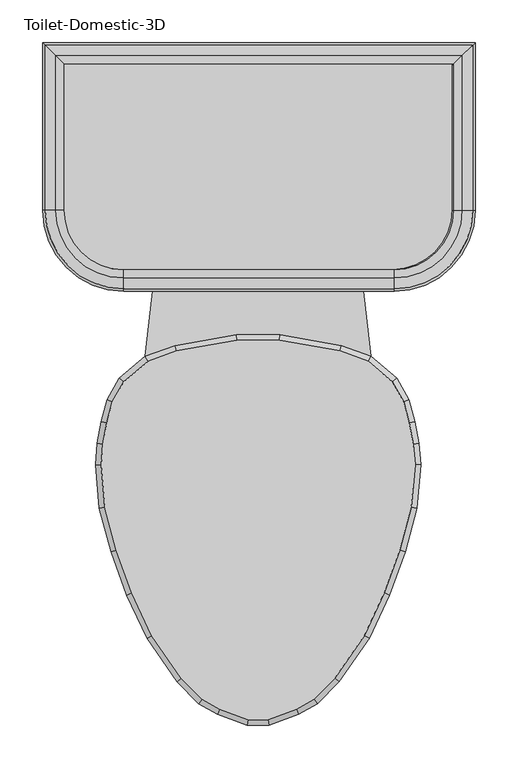
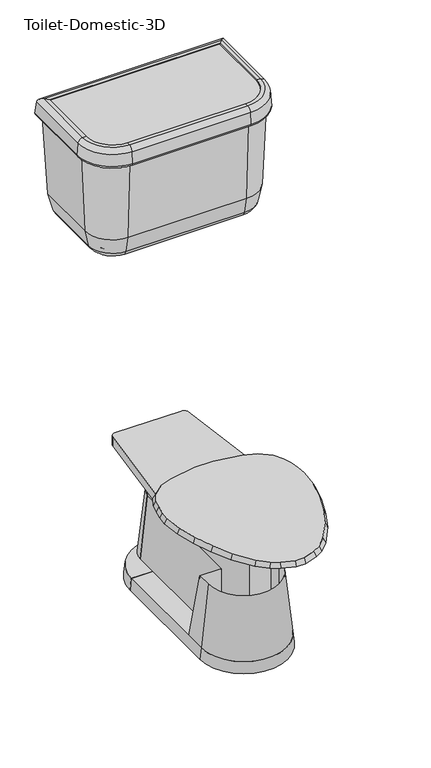
"""IFC4 building model written with IfcOpenShell, lengths in millimetres: flow terminal geometry, Toilet-Domestic-3D."""

from ifc_helpers import new_model, si_unit, point, frame, frame_2d, origin, place, context, project, spatial, polyline, circle_curve, ellipse_curve, trimmed, segment, composite_curve, outline, extrude, faceted_brep, source, transform, mapped, element, save
from ifc_brep_helpers import plane_surface, cylinder_surface, revolved_surface, advanced_brep


def toilet_domestic_3d_28d886ba(model_context):
    return source(origin(), model_context, "Body", "SolidModel", [
        advanced_brep(
        [(-117.7636364, 285.75, 0.0), (-38.1, 285.75, 0.0), (-38.1, 285.75, 31.75), (-114.3, 285.75, 31.75), (117.7636364, 285.75, 0.0), (114.3, 285.75, 31.75), (38.1, 285.75, 31.75), (38.1, 285.75, 0.0)],
        [
            (0, 1),
            (1, 2),
            (2, 3),
            (3, 0),
            (4, 5),
            (5, 6),
            (6, 7),
            (7, 4),
            (7, 1, circle_curve(frame((0.0, 285.75, 0.0), z_axis=(0.0, 0.0, 1.0), x_axis=(-1.0, 0.0, 0.0)), 38.1)),
            (0, 4, circle_curve(frame((0.0, 285.75, 0.0), z_axis=(0.0, 0.0, -1.0), x_axis=(-1.0, 0.0, 0.0)), 117.7636364)),
            (6, 2, circle_curve(frame((0.0, 285.75, 31.75), z_axis=(0.0, 0.0, 1.0), x_axis=(-1.0, 0.0, 0.0)), 38.1)),
            (5, 3, circle_curve(frame((0.0, 285.75, 31.75), z_axis=(0.0, 0.0, 1.0), x_axis=(-1.0, 0.0, 0.0)), 114.3)),
        ],
        [
            plane_surface(frame((0.0, 285.75, -304.8), z_axis=(0.0, -1.0, 0.0), x_axis=(-1.0, 0.0, 0.0))),
            plane_surface(frame((0.0, 285.75, -304.8), z_axis=(0.0, -1.0, 0.0), x_axis=(1.0, 0.0, 0.0))),
            plane_surface(frame((0.0, 285.75, 0.0), z_axis=(0.0, 0.0, -1.0), x_axis=(-1.0, 0.0, 0.0))),
            revolved_surface(polyline([(-38.1, 285.75, 0.0), (-38.1, 285.75, 31.75)]), (0.0, 285.75, -304.8), (0.0, 0.0, -1.0)),
            plane_surface(frame((0.0, 285.75, 31.75), z_axis=(0.0, 0.0, 1.0), x_axis=(-1.0, 0.0, 0.0))),
            revolved_surface(polyline([(-114.3, 285.75, 31.75), (-117.7636364, 285.75, 0.0)]), (0.0, 285.75, -304.8), (0.0, 0.0, -1.0)),
        ],
        [
            (0, [[1, 2, 3, 4]]),
            (1, [[5, 6, 7, 8]]),
            (2, [[9, -1, 10, -8]]),
            (3, [[11, -2, -9, -7]]),
            (4, [[12, -3, -11, -6]]),
            (5, [[-10, -4, -12, -5]]),
        ],
    ),
        advanced_brep(
        [(-38.1, 342.9, 206.375), (-57.15, 342.9, 31.75), (-38.1, 342.9, 31.75), (38.1, 342.9, 206.375), (38.1, 342.9, 31.75), (57.15, 342.9, 31.75)],
        [
            (0, 1),
            (1, 2),
            (2, 0),
            (3, 4),
            (4, 5),
            (5, 3),
            (5, 1, circle_curve(frame((0.0, 342.9, 31.75), z_axis=(0.0, 0.0, 1.0), x_axis=(-1.0, 0.0, 0.0)), 57.15)),
            (0, 3, circle_curve(frame((0.0, 342.9, 206.375), z_axis=(0.0, 0.0, -1.0), x_axis=(-1.0, 0.0, 0.0)), 38.1)),
            (4, 2, circle_curve(frame((0.0, 342.9, 31.75), z_axis=(0.0, 0.0, 1.0), x_axis=(-1.0, 0.0, 0.0)), 38.1)),
        ],
        [
            plane_surface(frame((0.0, 342.9, 31.75), z_axis=(0.0, -1.0, 0.0), x_axis=(-1.0, 0.0, 0.0))),
            plane_surface(frame((0.0, 342.9, 31.75), z_axis=(0.0, -1.0, 0.0), x_axis=(1.0, 0.0, 0.0))),
            revolved_surface(polyline([(-38.1, 342.9, 206.375), (-57.15, 342.9, 31.75)]), (0.0, 342.9, 31.75), (0.0, 0.0, -1.0)),
            plane_surface(frame((0.0, 342.9, 31.75), z_axis=(0.0, 0.0, -1.0), x_axis=(-1.0, 0.0, 0.0))),
            revolved_surface(polyline([(-38.1, 342.9, 31.75), (-38.1, 342.9, 206.375)]), (0.0, 342.9, 31.75), (0.0, 0.0, -1.0)),
        ],
        [
            (0, [[1, 2, 3]]),
            (1, [[4, 5, 6]]),
            (2, [[7, -1, 8, -6]]),
            (3, [[9, -2, -7, -5]]),
            (4, [[-8, -3, -9, -4]]),
        ],
    ),
        faceted_brep([(-157.6293435, 97.472128, 400.05), (-171.060664, 73.773864, 400.05), (-177.5851102, 49.4242991, 400.05), (-181.9845715, 24.4737144, 400.05), (-184.125744, 0.0, 400.05), (-179.7950716, -49.4998127, 400.05), (-166.347, -99.688699, 400.05), (-148.0469602, -149.9676451, 400.05), (-124.7045808, -200.0255393, 400.05), (-90.0971582, -249.9125941, 400.05), (-65.691017, -274.3187354, 400.05), (-44.8990862, -286.3229622, 400.05), (-11.5803237, -298.45, 400.05), (11.5803237, -298.45, 400.05), (44.8990862, -286.3229622, 400.05), (65.691017, -274.3187354, 400.05), (90.0971582, -249.9125941, 400.05), (124.7045808, -200.0255393, 400.05), (148.0469602, -149.9676451, 400.05), (166.347, -99.688699, 400.05), (179.7950716, -49.4998127, 400.05), (184.125744, 0.0, 400.05), (181.9845715, 24.4737144, 400.05), (177.5851102, 49.4242991, 400.05), (171.060664, 73.773864, 400.05), (157.6293435, 97.472128, 400.05), (129.0942628, 121.4159037, 400.05), (95.7755003, 133.5429415, 400.05), (24.844447, 146.05, 400.05), (-24.844447, 146.05, 400.05), (-95.7755003, 133.5429415, 400.05), (-129.0942628, 121.4159037, 400.05), (-162.5887836, 101.6, 387.2181453), (-132.3182423, 127.0, 387.2181453), (-97.4252791, 139.7, 387.2181453), (-25.4, 152.4, 387.2181453), (25.4, 152.4, 387.2181453), (97.4252791, 139.7, 387.2181453), (132.3182423, 127.0, 387.2181453), (162.5887836, 101.6, 387.2181453), (176.9845865, 76.2, 387.2181453), (183.790496, 50.8, 387.2181453), (188.2862441, 25.3033453, 387.2181453), (190.5, 0.0, 387.2181453), (186.0724883, -50.6066907, 387.2181453), (172.4088722, -101.6, 387.2181453), (153.9191843, -152.4, 387.2181453), (130.2307553, -203.2, 387.2181453), (94.9900085, -254.0, 387.2181453), (69.5900085, -279.4, 387.2181453), (47.5929632, -292.1, 387.2181453), (12.7, -304.8, 387.2181453), (-12.7, -304.8, 387.2181453), (-47.5929632, -292.1, 387.2181453), (-69.5900085, -279.4, 387.2181453), (-94.9900085, -254.0, 387.2181453), (-130.2307553, -203.2, 387.2181453), (-153.9191843, -152.4, 387.2181453), (-172.4088722, -101.6, 387.2181453), (-186.0724883, -50.6066907, 387.2181453), (-190.5, 0.0, 387.2181453), (-188.2862441, 25.3033453, 387.2181453), (-183.790496, 50.8, 387.2181453), (-176.9845865, 76.2, 387.2181453)], [[[0, 1, 2, 3, 4, 5, 6, 7, 8, 9, 10, 11, 12, 13, 14, 15, 16, 17, 18, 19, 20, 21, 22, 23, 24, 25, 26, 27, 28, 29, 30, 31]], [[32, 33, 34, 35, 36, 37, 38, 39, 40, 41, 42, 43, 44, 45, 46, 47, 48, 49, 50, 51, 52, 53, 54, 55, 56, 57, 58, 59, 60, 61, 62, 63]], [[32, 63, 1, 0]], [[63, 62, 2, 1]], [[62, 61, 3, 2]], [[61, 60, 4, 3]], [[60, 59, 5, 4]], [[59, 58, 6, 5]], [[58, 57, 7, 6]], [[57, 56, 8, 7]], [[56, 55, 9, 8]], [[55, 54, 10, 9]], [[54, 53, 11, 10]], [[53, 52, 12, 11]], [[52, 51, 13, 12]], [[51, 50, 14, 13]], [[50, 49, 15, 14]], [[49, 48, 16, 15]], [[48, 47, 17, 16]], [[47, 46, 18, 17]], [[46, 45, 19, 18]], [[45, 44, 20, 19]], [[44, 43, 21, 20]], [[43, 42, 22, 21]], [[42, 41, 23, 22]], [[41, 40, 24, 23]], [[40, 39, 25, 24]], [[39, 38, 26, 25]], [[38, 37, 27, 26]], [[37, 36, 28, 27]], [[36, 35, 29, 28]], [[35, 34, 30, 29]], [[34, 33, 31, 30]], [[33, 32, 0, 31]]]),
        extrude(outline(composite_curve([segment(polyline([(227.3029009, 469.9), (227.3029009, 298.4631131)]), True, "CONTINUOUS"), segment(trimmed(circle_curve(frame_2d((157.4660139, 298.4631131)), 69.8368869), [point((227.3029009, 298.4631131))], [point((157.4660139, 228.6262261))], False, "CARTESIAN"), True, "CONTINUOUS"), segment(polyline([(157.4660139, 228.6262261), (-160.0339861, 228.6262261)]), True, "CONTINUOUS"), segment(trimmed(circle_curve(frame_2d((-160.0339861, 298.4631131)), 69.8368869), [point((-160.0339861, 228.6262261))], [point((-229.870873, 298.4631131))], False, "CARTESIAN"), True, "CONTINUOUS"), segment(polyline([(-229.870873, 298.4631131), (-229.870873, 469.9), (227.3029009, 469.9)]), True, "CONTINUOUS")], self_intersect=False)), frame((0.0, 0.0, 1265.8230962), z_axis=(0.0, 0.0, 1.0), x_axis=(1.0, 0.0, 0.0)), (0.0, 0.0, 1.0), 48.6269038),
        extrude(outline(composite_curve([segment(trimmed(circle_curve(frame_2d((0.0, 342.9)), 38.1), [point((-38.1, 342.9))], [point((38.1, 342.9))], False, "CARTESIAN"), True, "CONTINUOUS"), segment(polyline([(38.1, 342.9), (-38.1, 342.9)]), True, "CONTINUOUS")], self_intersect=False)), frame((0.0, 0.0, 206.375), z_axis=(0.0, 0.0, 1.0), x_axis=(1.0, 0.0, 0.0)), (0.0, 0.0, 1.0), 130.175),
        advanced_brep(
        [(178.7552449, 418.5680627, 998.9912415), (178.7552449, 418.5680627, 986.4230962), (178.7552449, 297.9180627, 986.4230962), (178.7552449, 297.9180627, 998.9912415), (193.7573278, 433.5701456, 998.9912415), (193.7573278, 297.9180627, 998.9912415), (212.4203379, 452.2331557, 1014.2209598), (212.4203379, 297.9180627, 1014.2209598), (219.7284954, 459.5413132, 1049.9230962), (219.7284954, 297.9180627, 1049.9230962), (229.5421318, 469.3549496, 1265.8230962), (229.5421318, 297.9180627, 1265.8230962), (229.5421318, 469.3549496, 1316.6230962), (229.5421318, 297.9180627, 1316.6230962), (238.8734149, 478.6862327, 1316.6230962), (238.8734149, 297.9180627, 1316.6230962), (251.5250875, 491.3379053, 1305.0299741), (251.5250875, 297.9180627, 1305.0299741), (254.3512722, 494.16409, 1272.7265352), (254.3512722, 297.9180627, 1272.7265352), (248.0254359, 487.8382537, 1265.8230962), (248.0254359, 297.9180627, 1265.8230962), (242.2552449, 482.0680627, 1265.8230962), (242.2552449, 297.9180627, 1265.8230962), (232.4416085, 472.2544263, 1049.9230962), (232.4416085, 297.9180627, 1049.9230962), (223.2969273, 463.1097451, 1005.2490924), (223.2969273, 297.9180627, 1005.2490924), (198.7624113, 438.5752291, 986.4230962), (198.7624113, 297.9180627, 986.4230962), (159.7052449, 278.8680627, 998.9912415), (159.7052449, 278.8680627, 986.4230962), (159.7052449, 263.8659798, 998.9912415), (159.7052449, 245.2029696, 1014.2209598), (159.7052449, 237.8948121, 1049.9230962), (159.7052449, 228.0811757, 1265.8230962), (159.7052449, 228.0811757, 1316.6230962), (159.7052449, 218.7498927, 1316.6230962), (159.7052449, 206.09822, 1305.0299741), (159.7052449, 203.2720353, 1272.7265352), (159.7052449, 209.5978717, 1265.8230962), (159.7052449, 215.3680627, 1265.8230962), (159.7052449, 225.181699, 1049.9230962), (159.7052449, 234.3263802, 1005.2490924), (159.7052449, 258.8608962, 986.4230962), (-157.7947551, 278.8680627, 986.4230962), (-157.7947551, 278.8680627, 998.9912415), (-157.7947551, 263.8659798, 998.9912415), (-157.7947551, 245.2029696, 1014.2209598), (-157.7947551, 237.8948121, 1049.9230962), (-157.7947551, 228.0811757, 1265.8230962), (-157.7947551, 228.0811757, 1316.6230962), (-157.7947551, 218.7498927, 1316.6230962), (-157.7947551, 206.09822, 1305.0299741), (-157.7947551, 203.2720353, 1272.7265352), (-157.7947551, 209.5978717, 1265.8230962), (-157.7947551, 215.3680627, 1265.8230962), (-157.7947551, 225.181699, 1049.9230962), (-157.7947551, 234.3263802, 1005.2490924), (-157.7947551, 258.8608962, 986.4230962), (-176.8447551, 297.9180627, 998.9912415), (-176.8447551, 297.9180627, 986.4230962), (-191.846838, 297.9180627, 998.9912415), (-210.5098482, 297.9180627, 1014.2209598), (-217.8180057, 297.9180627, 1049.9230962), (-227.6316421, 297.9180627, 1265.8230962), (-227.6316421, 297.9180627, 1316.6230962), (-236.9629251, 297.9180627, 1316.6230962), (-249.6145978, 297.9180627, 1305.0299741), (-252.4407825, 297.9180627, 1272.7265352), (-246.1149461, 297.9180627, 1265.8230962), (-240.3447551, 297.9180627, 1265.8230962), (-230.5311188, 297.9180627, 1049.9230962), (-221.3864375, 297.9180627, 1005.2490924), (-196.8519216, 297.9180627, 986.4230962), (-176.8447551, 418.5680627, 986.4230962), (-176.8447551, 418.5680627, 998.9912415), (-191.846838, 433.5701456, 998.9912415), (-210.5098482, 452.2331557, 1014.2209598), (-217.8180057, 459.5413132, 1049.9230962), (-227.6316421, 469.3549496, 1265.8230962), (-227.6316421, 469.3549496, 1316.6230962), (-236.9629251, 478.6862327, 1316.6230962), (-249.6145978, 491.3379053, 1305.0299741), (-252.4407825, 494.16409, 1272.7265352), (-246.1149461, 487.8382537, 1265.8230962), (-240.3447551, 482.0680627, 1265.8230962), (-230.5311188, 472.2544263, 1049.9230962), (-221.3864375, 463.1097451, 1005.2490924), (-196.8519216, 438.5752291, 986.4230962)],
        [
            (0, 1),
            (1, 2),
            (2, 3),
            (3, 0),
            (4, 0),
            (3, 5),
            (5, 4),
            (6, 4, ellipse_curve(frame((193.7573278, 433.5701456, 1018.0412415), z_axis=(-0.7071067811865451, 0.7071067811865498, 0.0), x_axis=(-0.7071067811865497, -0.7071067811865452, 0.0)), 26.9407684, 19.05)),
            (5, 7, circle_curve(frame((193.7573278, 297.9180627, 1018.0412415), z_axis=(0.0, -1.0, 0.0), x_axis=(1.0, 0.0, 0.0)), 19.05)),
            (7, 6),
            (8, 6),
            (7, 9),
            (9, 8),
            (10, 8),
            (9, 11),
            (11, 10),
            (12, 10),
            (11, 13),
            (13, 12),
            (14, 12),
            (13, 15),
            (15, 14),
            (16, 14, ellipse_curve(frame((238.8734149, 478.6862327, 1303.9230962), z_axis=(0.7071067811865451, -0.7071067811865498, 0.0), x_axis=(0.7071067811865497, 0.7071067811865452, 0.0)), 17.9605122, 12.7)),
            (15, 17, circle_curve(frame((238.8734149, 297.9180627, 1303.9230962), z_axis=(0.0, 1.0, 0.0), x_axis=(1.0, 0.0, 0.0)), 12.7)),
            (17, 16),
            (18, 16),
            (17, 19),
            (19, 18),
            (20, 18, ellipse_curve(frame((248.0254359, 487.8382537, 1272.1730962), z_axis=(0.7071067811865451, -0.7071067811865498, 0.0), x_axis=(0.7071067811865497, 0.7071067811865452, 0.0)), 8.9802561, 6.35)),
            (19, 21, circle_curve(frame((248.0254359, 297.9180627, 1272.1730962), z_axis=(0.0, 1.0, 0.0), x_axis=(1.0, 0.0, 0.0)), 6.35)),
            (21, 20),
            (22, 20),
            (21, 23),
            (23, 22),
            (24, 22),
            (23, 25),
            (25, 24),
            (26, 24),
            (25, 27),
            (27, 26),
            (28, 26, ellipse_curve(frame((198.7624113, 438.5752291, 1011.8230962), z_axis=(0.7071067811865451, -0.7071067811865498, 0.0), x_axis=(0.7071067811865497, 0.7071067811865452, 0.0)), 35.9210245, 25.4)),
            (27, 29, circle_curve(frame((198.7624113, 297.9180627, 1011.8230962), z_axis=(0.0, 1.0, 0.0), x_axis=(1.0, 0.0, 0.0)), 25.4)),
            (29, 28),
            (1, 28),
            (29, 2),
            (30, 3, circle_curve(frame((159.7052449, 297.9180627, 998.9912415), z_axis=(0.0, 0.0, 1.0), x_axis=(1.0, 0.0, 0.0)), 19.05)),
            (2, 31, circle_curve(frame((159.7052449, 297.9180627, 986.4230962), z_axis=(0.0, 0.0, -1.0), x_axis=(1.0, 0.0, 0.0)), 19.05)),
            (31, 30),
            (32, 5, circle_curve(frame((159.7052449, 297.9180627, 998.9912415), z_axis=(0.0, 0.0, 1.0), x_axis=(1.0, 0.0, 0.0)), 34.0520829)),
            (30, 32),
            (33, 7, circle_curve(frame((159.7052449, 297.9180627, 1014.2209598), z_axis=(0.0, 0.0, 1.0), x_axis=(1.0, 0.0, 0.0)), 52.7150931)),
            (32, 33, circle_curve(frame((159.7052449, 263.8659798, 1018.0412415), z_axis=(-1.0, 0.0, 0.0), x_axis=(0.0, -1.0, 0.0)), 19.05)),
            (34, 9, circle_curve(frame((159.7052449, 297.9180627, 1049.9230962), z_axis=(0.0, 0.0, 1.0), x_axis=(1.0, 0.0, 0.0)), 60.0232506)),
            (33, 34),
            (35, 11, circle_curve(frame((159.7052449, 297.9180627, 1265.8230962), z_axis=(0.0, 0.0, 1.0), x_axis=(1.0, 0.0, 0.0)), 69.8368869)),
            (34, 35),
            (36, 13, circle_curve(frame((159.7052449, 297.9180627, 1316.6230962), z_axis=(0.0, 0.0, 1.0), x_axis=(1.0, 0.0, 0.0)), 69.8368869)),
            (35, 36),
            (37, 15, circle_curve(frame((159.7052449, 297.9180627, 1316.6230962), z_axis=(0.0, 0.0, 1.0), x_axis=(1.0, 0.0, 0.0)), 79.16817)),
            (36, 37),
            (38, 17, circle_curve(frame((159.7052449, 297.9180627, 1305.0299741), z_axis=(0.0, 0.0, 1.0), x_axis=(1.0, 0.0, 0.0)), 91.8198426)),
            (37, 38, circle_curve(frame((159.7052449, 218.7498927, 1303.9230962), z_axis=(1.0, 0.0, 0.0), x_axis=(0.0, -1.0, 0.0)), 12.7)),
            (39, 19, circle_curve(frame((159.7052449, 297.9180627, 1272.7265352), z_axis=(0.0, 0.0, 1.0), x_axis=(1.0, 0.0, 0.0)), 94.6460274)),
            (38, 39),
            (40, 21, circle_curve(frame((159.7052449, 297.9180627, 1265.8230962), z_axis=(0.0, 0.0, 1.0), x_axis=(1.0, 0.0, 0.0)), 88.320191)),
            (39, 40, circle_curve(frame((159.7052449, 209.5978717, 1272.1730962), z_axis=(1.0, 0.0, 0.0), x_axis=(0.0, -1.0, 0.0)), 6.35)),
            (41, 23, circle_curve(frame((159.7052449, 297.9180627, 1265.8230962), z_axis=(0.0, 0.0, 1.0), x_axis=(1.0, 0.0, 0.0)), 82.55)),
            (40, 41),
            (42, 25, circle_curve(frame((159.7052449, 297.9180627, 1049.9230962), z_axis=(0.0, 0.0, 1.0), x_axis=(1.0, 0.0, 0.0)), 72.7363636)),
            (41, 42),
            (43, 27, circle_curve(frame((159.7052449, 297.9180627, 1005.2490924), z_axis=(0.0, 0.0, 1.0), x_axis=(1.0, 0.0, 0.0)), 63.5916824)),
            (42, 43),
            (44, 29, circle_curve(frame((159.7052449, 297.9180627, 986.4230962), z_axis=(0.0, 0.0, 1.0), x_axis=(1.0, 0.0, 0.0)), 39.0571664)),
            (43, 44, circle_curve(frame((159.7052449, 258.8608962, 1011.8230962), z_axis=(1.0, 0.0, 0.0), x_axis=(0.0, -1.0, 0.0)), 25.4)),
            (44, 31),
            (31, 45),
            (45, 46),
            (46, 30),
            (46, 47),
            (47, 32),
            (47, 48, circle_curve(frame((-157.7947551, 263.8659798, 1018.0412415), z_axis=(-1.0, 0.0, 0.0), x_axis=(0.0, -1.0, 0.0)), 19.05)),
            (48, 33),
            (48, 49),
            (49, 34),
            (49, 50),
            (50, 35),
            (50, 51),
            (51, 36),
            (51, 52),
            (52, 37),
            (52, 53, circle_curve(frame((-157.7947551, 218.7498927, 1303.9230962), z_axis=(1.0, 0.0, 0.0), x_axis=(0.0, -1.0, 0.0)), 12.7)),
            (53, 38),
            (53, 54),
            (54, 39),
            (54, 55, circle_curve(frame((-157.7947551, 209.5978717, 1272.1730962), z_axis=(1.0, 0.0, 0.0), x_axis=(0.0, -1.0, 0.0)), 6.35)),
            (55, 40),
            (55, 56),
            (56, 41),
            (56, 57),
            (57, 42),
            (57, 58),
            (58, 43),
            (58, 59, circle_curve(frame((-157.7947551, 258.8608962, 1011.8230962), z_axis=(1.0, 0.0, 0.0), x_axis=(0.0, -1.0, 0.0)), 25.4)),
            (59, 44),
            (59, 45),
            (60, 46, circle_curve(frame((-157.7947551, 297.9180627, 998.9912415), z_axis=(0.0, 0.0, 1.0), x_axis=(0.0, -1.0, 0.0)), 19.05)),
            (45, 61, circle_curve(frame((-157.7947551, 297.9180627, 986.4230962), z_axis=(0.0, 0.0, -1.0), x_axis=(0.0, -1.0, 0.0)), 19.05)),
            (61, 60),
            (62, 47, circle_curve(frame((-157.7947551, 297.9180627, 998.9912415), z_axis=(0.0, 0.0, 1.0), x_axis=(0.0, -1.0, 0.0)), 34.0520829)),
            (60, 62),
            (63, 48, circle_curve(frame((-157.7947551, 297.9180627, 1014.2209598), z_axis=(0.0, 0.0, 1.0), x_axis=(0.0, -1.0, 0.0)), 52.7150931)),
            (62, 63, circle_curve(frame((-191.846838, 297.9180627, 1018.0412415), z_axis=(0.0, 1.0, 0.0), x_axis=(-1.0, 0.0, 0.0)), 19.05)),
            (64, 49, circle_curve(frame((-157.7947551, 297.9180627, 1049.9230962), z_axis=(0.0, 0.0, 1.0), x_axis=(0.0, -1.0, 0.0)), 60.0232506)),
            (63, 64),
            (65, 50, circle_curve(frame((-157.7947551, 297.9180627, 1265.8230962), z_axis=(0.0, 0.0, 1.0), x_axis=(0.0, -1.0, 0.0)), 69.8368869)),
            (64, 65),
            (66, 51, circle_curve(frame((-157.7947551, 297.9180627, 1316.6230962), z_axis=(0.0, 0.0, 1.0), x_axis=(0.0, -1.0, 0.0)), 69.8368869)),
            (65, 66),
            (67, 52, circle_curve(frame((-157.7947551, 297.9180627, 1316.6230962), z_axis=(0.0, 0.0, 1.0), x_axis=(0.0, -1.0, 0.0)), 79.16817)),
            (66, 67),
            (68, 53, circle_curve(frame((-157.7947551, 297.9180627, 1305.0299741), z_axis=(0.0, 0.0, 1.0), x_axis=(0.0, -1.0, 0.0)), 91.8198426)),
            (67, 68, circle_curve(frame((-236.9629251, 297.9180627, 1303.9230962), z_axis=(0.0, -1.0, 0.0), x_axis=(-1.0, 0.0, 0.0)), 12.7)),
            (69, 54, circle_curve(frame((-157.7947551, 297.9180627, 1272.7265352), z_axis=(0.0, 0.0, 1.0), x_axis=(0.0, -1.0, 0.0)), 94.6460274)),
            (68, 69),
            (70, 55, circle_curve(frame((-157.7947551, 297.9180627, 1265.8230962), z_axis=(0.0, 0.0, 1.0), x_axis=(0.0, -1.0, 0.0)), 88.320191)),
            (69, 70, circle_curve(frame((-246.1149461, 297.9180627, 1272.1730962), z_axis=(0.0, -1.0, 0.0), x_axis=(-1.0, 0.0, 0.0)), 6.35)),
            (71, 56, circle_curve(frame((-157.7947551, 297.9180627, 1265.8230962), z_axis=(0.0, 0.0, 1.0), x_axis=(0.0, -1.0, 0.0)), 82.55)),
            (70, 71),
            (72, 57, circle_curve(frame((-157.7947551, 297.9180627, 1049.9230962), z_axis=(0.0, 0.0, 1.0), x_axis=(0.0, -1.0, 0.0)), 72.7363636)),
            (71, 72),
            (73, 58, circle_curve(frame((-157.7947551, 297.9180627, 1005.2490924), z_axis=(0.0, 0.0, 1.0), x_axis=(0.0, -1.0, 0.0)), 63.5916824)),
            (72, 73),
            (74, 59, circle_curve(frame((-157.7947551, 297.9180627, 986.4230962), z_axis=(0.0, 0.0, 1.0), x_axis=(0.0, -1.0, 0.0)), 39.0571664)),
            (73, 74, circle_curve(frame((-196.8519216, 297.9180627, 1011.8230962), z_axis=(0.0, -1.0, 0.0), x_axis=(-1.0, 0.0, 0.0)), 25.4)),
            (74, 61),
            (61, 75),
            (75, 76),
            (76, 60),
            (76, 77),
            (77, 62),
            (77, 78, ellipse_curve(frame((-191.846838, 433.5701456, 1018.0412415), z_axis=(0.7071067811865498, 0.7071067811865451, 0.0), x_axis=(-0.7071067811865451, 0.70710678118655, 0.0)), 26.9407684, 19.05)),
            (78, 63),
            (78, 79),
            (79, 64),
            (79, 80),
            (80, 65),
            (80, 81),
            (81, 66),
            (81, 82),
            (82, 67),
            (82, 83, ellipse_curve(frame((-236.9629251, 478.6862327, 1303.9230962), z_axis=(-0.7071067811865498, -0.7071067811865451, 0.0), x_axis=(0.7071067811865451, -0.70710678118655, 0.0)), 17.9605122, 12.7)),
            (83, 68),
            (83, 84),
            (84, 69),
            (84, 85, ellipse_curve(frame((-246.1149461, 487.8382537, 1272.1730962), z_axis=(-0.7071067811865498, -0.7071067811865451, 0.0), x_axis=(0.7071067811865451, -0.70710678118655, 0.0)), 8.9802561, 6.35)),
            (85, 70),
            (85, 86),
            (86, 71),
            (86, 87),
            (87, 72),
            (87, 88),
            (88, 73),
            (88, 89, ellipse_curve(frame((-196.8519216, 438.5752291, 1011.8230962), z_axis=(-0.7071067811865498, -0.7071067811865451, 0.0), x_axis=(0.7071067811865451, -0.70710678118655, 0.0)), 35.9210245, 25.4)),
            (89, 74),
            (89, 75),
            (75, 1),
            (0, 76),
            (4, 77),
            (6, 78),
            (8, 79),
            (10, 80),
            (12, 81),
            (14, 82),
            (16, 83),
            (18, 84),
            (20, 85),
            (22, 86),
            (24, 87),
            (26, 88),
            (28, 89),
        ],
        [
            plane_surface(frame((178.7552449, 418.5680627, 986.4230962), z_axis=(-1.0, 0.0, 0.0), x_axis=(0.0, -1.0, 0.0))),
            plane_surface(frame((178.7552449, 418.5680627, 998.9912415), z_axis=(0.0, 0.0, 1.0), x_axis=(0.0, -1.0, 0.0))),
            revolved_surface(polyline([(212.80732780000002, 297.9180627, 1018.0412415), (212.80732780000002, 452.6201456260162, 1018.0412415)]), (193.7573278, 418.5680627, 1018.0412415), (0.0, -1.0, 0.0)),
            plane_surface(frame((212.4203379, 452.2331557, 1014.2209598), z_axis=(-0.9796855721787505, 0.0, 0.2005397209153197), x_axis=(0.0, -1.0, 0.0))),
            plane_surface(frame((219.7284954, 459.5413132, 1049.9230962), z_axis=(-0.9989685402102995, 0.0, 0.045407660918654086), x_axis=(0.0, -1.0, 0.0))),
            plane_surface(frame((229.5421318, 469.3549496, 1265.8230962), z_axis=(-1.0, 0.0, 0.0), x_axis=(0.0, -1.0, 0.0))),
            plane_surface(frame((229.5421318, 469.3549496, 1316.6230962), z_axis=(0.0, 0.0, 1.0), x_axis=(0.0, -1.0, 0.0))),
            cylinder_surface(frame((238.8734149, 418.5680627, 1303.9230962), z_axis=(0.0, 1.0, 0.0), x_axis=(1.0, 0.0, 0.0)), 12.7),
            plane_surface(frame((251.5250875, 491.3379053, 1305.0299741), z_axis=(0.9961946980917452, 0.0, 0.08715574274766269), x_axis=(0.0, -1.0, 0.0))),
            cylinder_surface(frame((248.0254359, 418.5680627, 1272.1730962), z_axis=(0.0, 1.0, 0.0), x_axis=(1.0, 0.0, 0.0)), 6.35),
            plane_surface(frame((248.0254359, 487.8382537, 1265.8230962), z_axis=(0.0, 0.0, -1.0), x_axis=(0.0, -1.0, 0.0))),
            plane_surface(frame((242.2552449, 482.0680627, 1265.8230962), z_axis=(0.9989685402102993, 0.0, -0.04540766091865594), x_axis=(0.0, -1.0, 0.0))),
            plane_surface(frame((232.4416085, 472.2544263, 1049.9230962), z_axis=(0.9796855721787489, 0.0, -0.20053972091532798), x_axis=(0.0, -1.0, 0.0))),
            cylinder_surface(frame((198.7624113, 418.5680627, 1011.8230962), z_axis=(0.0, 1.0, 0.0), x_axis=(1.0, 0.0, 0.0)), 25.4),
            plane_surface(frame((198.7624113, 438.5752291, 986.4230962), z_axis=(0.0, 0.0, -1.0), x_axis=(0.0, -1.0, 0.0))),
            revolved_surface(polyline([(178.7552449, 297.9180627, 986.4230962), (178.7552449, 297.9180627, 998.9912415)]), (159.7052449, 297.9180627, 0.0), (0.0, 0.0, -1.0)),
            plane_surface(frame((159.7052449, 297.9180627, 998.9912415), z_axis=(0.0, 0.0, 1.0), x_axis=(1.0, 0.0, 0.0))),
            revolved_surface(trimmed(ellipse_curve(frame((193.7573278, 297.9180627, 1018.0412415), z_axis=(0.0, -1.0, 0.0), x_axis=(1.0, 0.0, 0.0)), 19.05, 19.05), [point((193.7573278, 297.9180627, 998.9912415))], [point((212.4203379, 297.9180627, 1014.2209598))], True, "CARTESIAN"), (159.7052449, 297.9180627, 0.0), (0.0, 0.0, -1.0)),
            revolved_surface(polyline([(212.4203379, 297.9180627, 1014.2209598), (219.7284954, 297.9180627, 1049.9230962)]), (159.7052449, 297.9180627, 0.0), (0.0, 0.0, -1.0)),
            revolved_surface(polyline([(219.7284954, 297.9180627, 1049.9230962), (229.5421318, 297.9180627, 1265.8230962)]), (159.7052449, 297.9180627, 0.0), (0.0, 0.0, -1.0)),
            revolved_surface(polyline([(229.5421318, 297.9180627, 1265.8230962), (229.5421318, 297.9180627, 1316.6230962)]), (159.7052449, 297.9180627, 0.0), (0.0, 0.0, -1.0)),
            plane_surface(frame((159.7052449, 297.9180627, 1316.6230962), z_axis=(0.0, 0.0, 1.0), x_axis=(1.0, 0.0, 0.0))),
            revolved_surface(trimmed(ellipse_curve(frame((238.8734149, 297.9180627, 1303.9230962), z_axis=(0.0, 1.0, 0.0), x_axis=(1.0, 0.0, 0.0)), 12.7, 12.7), [point((238.8734149, 297.9180627, 1316.6230962))], [point((251.5250875, 297.9180627, 1305.0299741))], True, "CARTESIAN"), (159.7052449, 297.9180627, 0.0), (0.0, 0.0, -1.0)),
            revolved_surface(polyline([(251.5250875, 297.9180627, 1305.0299741), (254.3512722, 297.9180627, 1272.7265352)]), (159.7052449, 297.9180627, 0.0), (0.0, 0.0, -1.0)),
            revolved_surface(trimmed(ellipse_curve(frame((248.0254359, 297.9180627, 1272.1730962), z_axis=(0.0, 1.0, 0.0), x_axis=(1.0, 0.0, 0.0)), 6.35, 6.35), [point((254.3512722, 297.9180627, 1272.7265352))], [point((248.0254359, 297.9180627, 1265.8230962))], True, "CARTESIAN"), (159.7052449, 297.9180627, 0.0), (0.0, 0.0, -1.0)),
            plane_surface(frame((159.7052449, 297.9180627, 1265.8230962), z_axis=(0.0, 0.0, -1.0), x_axis=(1.0, 0.0, 0.0))),
            revolved_surface(polyline([(242.2552449, 297.9180627, 1265.8230962), (232.4416085, 297.9180627, 1049.9230962)]), (159.7052449, 297.9180627, 0.0), (0.0, 0.0, -1.0)),
            revolved_surface(polyline([(232.4416085, 297.9180627, 1049.9230962), (223.2969273, 297.9180627, 1005.2490924)]), (159.7052449, 297.9180627, 0.0), (0.0, 0.0, -1.0)),
            revolved_surface(trimmed(ellipse_curve(frame((198.7624113, 297.9180627, 1011.8230962), z_axis=(0.0, 1.0, 0.0), x_axis=(1.0, 0.0, 0.0)), 25.4, 25.4), [point((223.2969273, 297.9180627, 1005.2490924))], [point((198.7624113, 297.9180627, 986.4230962))], True, "CARTESIAN"), (159.7052449, 297.9180627, 0.0), (0.0, 0.0, -1.0)),
            plane_surface(frame((159.7052449, 297.9180627, 986.4230962), z_axis=(0.0, 0.0, -1.0), x_axis=(1.0, 0.0, 0.0))),
            plane_surface(frame((159.7052449, 278.8680627, 986.4230962), z_axis=(0.0, 1.0, 0.0), x_axis=(-1.0, 0.0, 0.0))),
            plane_surface(frame((159.7052449, 278.8680627, 998.9912415), z_axis=(0.0, 0.0, 1.0), x_axis=(-1.0, 0.0, 0.0))),
            revolved_surface(polyline([(-157.7947551, 244.81597979999998, 1018.0412415), (159.7052449, 244.81597979999998, 1018.0412415)]), (159.7052449, 263.8659798, 1018.0412415), (-1.0, 0.0, 0.0)),
            plane_surface(frame((159.7052449, 245.2029696, 1014.2209598), z_axis=(0.0, 0.9796855721787505, 0.2005397209153197), x_axis=(-1.0, 0.0, 0.0))),
            plane_surface(frame((159.7052449, 237.8948121, 1049.9230962), z_axis=(0.0, 0.9989685402102995, 0.045407660918654086), x_axis=(-1.0, 0.0, 0.0))),
            plane_surface(frame((159.7052449, 228.0811757, 1265.8230962), z_axis=(0.0, 1.0, 0.0), x_axis=(-1.0, 0.0, 0.0))),
            plane_surface(frame((159.7052449, 228.0811757, 1316.6230962), z_axis=(0.0, 0.0, 1.0), x_axis=(-1.0, 0.0, 0.0))),
            cylinder_surface(frame((159.7052449, 218.7498927, 1303.9230962), z_axis=(1.0, 0.0, 0.0), x_axis=(0.0, -1.0, 0.0)), 12.7),
            plane_surface(frame((159.7052449, 206.09822, 1305.0299741), z_axis=(0.0, -0.9961946980917452, 0.08715574274766269), x_axis=(-1.0, 0.0, 0.0))),
            cylinder_surface(frame((159.7052449, 209.5978717, 1272.1730962), z_axis=(1.0, 0.0, 0.0), x_axis=(0.0, -1.0, 0.0)), 6.35),
            plane_surface(frame((159.7052449, 209.5978717, 1265.8230962), z_axis=(0.0, 0.0, -1.0), x_axis=(-1.0, 0.0, 0.0))),
            plane_surface(frame((159.7052449, 215.3680627, 1265.8230962), z_axis=(0.0, -0.9989685402102993, -0.04540766091865594), x_axis=(-1.0, 0.0, 0.0))),
            plane_surface(frame((159.7052449, 225.181699, 1049.9230962), z_axis=(0.0, -0.9796855721787489, -0.20053972091532798), x_axis=(-1.0, 0.0, 0.0))),
            cylinder_surface(frame((159.7052449, 258.8608962, 1011.8230962), z_axis=(1.0, 0.0, 0.0), x_axis=(0.0, -1.0, 0.0)), 25.4),
            plane_surface(frame((159.7052449, 258.8608962, 986.4230962), z_axis=(0.0, 0.0, -1.0), x_axis=(-1.0, 0.0, 0.0))),
            revolved_surface(polyline([(-157.7947551, 278.8680627, 986.4230962), (-157.7947551, 278.8680627, 998.9912415)]), (-157.7947551, 297.9180627, 0.0), (0.0, 0.0, -1.0)),
            plane_surface(frame((-157.7947551, 297.9180627, 998.9912415), z_axis=(0.0, 0.0, 1.0), x_axis=(0.0, -1.0, 0.0))),
            revolved_surface(trimmed(ellipse_curve(frame((-157.7947551, 263.8659798, 1018.0412415), z_axis=(-1.0, 0.0, 0.0), x_axis=(0.0, -1.0, 0.0)), 19.05, 19.05), [point((-157.7947551, 263.8659798, 998.9912415))], [point((-157.7947551, 245.2029696, 1014.2209598))], True, "CARTESIAN"), (-157.7947551, 297.9180627, 0.0), (0.0, 0.0, -1.0)),
            revolved_surface(polyline([(-157.7947551, 245.2029696, 1014.2209598), (-157.7947551, 237.8948121, 1049.9230962)]), (-157.7947551, 297.9180627, 0.0), (0.0, 0.0, -1.0)),
            revolved_surface(polyline([(-157.7947551, 237.8948121, 1049.9230962), (-157.7947551, 228.0811757, 1265.8230962)]), (-157.7947551, 297.9180627, 0.0), (0.0, 0.0, -1.0)),
            revolved_surface(polyline([(-157.7947551, 228.0811758, 1265.8230962), (-157.7947551, 228.0811758, 1316.6230962)]), (-157.7947551, 297.9180627, 0.0), (0.0, 0.0, -1.0)),
            plane_surface(frame((-157.7947551, 297.9180627, 1316.6230962), z_axis=(0.0, 0.0, 1.0), x_axis=(0.0, -1.0, 0.0))),
            revolved_surface(trimmed(ellipse_curve(frame((-157.7947551, 218.7498927, 1303.9230962), z_axis=(1.0, 0.0, 0.0), x_axis=(0.0, -1.0, 0.0)), 12.7, 12.7), [point((-157.7947551, 218.7498927, 1316.6230962))], [point((-157.7947551, 206.09822, 1305.0299741))], True, "CARTESIAN"), (-157.7947551, 297.9180627, 0.0), (0.0, 0.0, -1.0)),
            revolved_surface(polyline([(-157.7947551, 206.09822, 1305.0299741), (-157.7947551, 203.2720353, 1272.7265352)]), (-157.7947551, 297.9180627, 0.0), (0.0, 0.0, -1.0)),
            revolved_surface(trimmed(ellipse_curve(frame((-157.7947551, 209.5978717, 1272.1730962), z_axis=(1.0, 0.0, 0.0), x_axis=(0.0, -1.0, 0.0)), 6.35, 6.35), [point((-157.7947551, 203.2720353, 1272.7265352))], [point((-157.7947551, 209.5978717, 1265.8230962))], True, "CARTESIAN"), (-157.7947551, 297.9180627, 0.0), (0.0, 0.0, -1.0)),
            plane_surface(frame((-157.7947551, 297.9180627, 1265.8230962), z_axis=(0.0, 0.0, -1.0), x_axis=(0.0, -1.0, 0.0))),
            revolved_surface(polyline([(-157.7947551, 215.3680627, 1265.8230962), (-157.7947551, 225.181699, 1049.9230962)]), (-157.7947551, 297.9180627, 0.0), (0.0, 0.0, -1.0)),
            revolved_surface(polyline([(-157.7947551, 225.181699, 1049.9230962), (-157.7947551, 234.3263802, 1005.2490924)]), (-157.7947551, 297.9180627, 0.0), (0.0, 0.0, -1.0)),
            revolved_surface(trimmed(ellipse_curve(frame((-157.7947551, 258.8608962, 1011.8230962), z_axis=(1.0, 0.0, 0.0), x_axis=(0.0, -1.0, 0.0)), 25.4, 25.4), [point((-157.7947551, 234.3263802, 1005.2490924))], [point((-157.7947551, 258.8608962, 986.4230962))], True, "CARTESIAN"), (-157.7947551, 297.9180627, 0.0), (0.0, 0.0, -1.0)),
            plane_surface(frame((-157.7947551, 297.9180627, 986.4230962), z_axis=(0.0, 0.0, -1.0), x_axis=(0.0, -1.0, 0.0))),
            plane_surface(frame((-176.8447551, 297.9180627, 986.4230962), z_axis=(1.0, 0.0, 0.0), x_axis=(0.0, 1.0, 0.0))),
            plane_surface(frame((-176.8447551, 297.9180627, 998.9912415), z_axis=(0.0, 0.0, 1.0), x_axis=(0.0, 1.0, 0.0))),
            revolved_surface(polyline([(-210.896838, 452.6201456260163, 1018.0412415), (-210.896838, 297.9180627, 1018.0412415)]), (-191.846838, 297.9180627, 1018.0412415), (0.0, 1.0, 0.0)),
            plane_surface(frame((-210.5098482, 297.9180627, 1014.2209598), z_axis=(0.9796855721787505, 0.0, 0.2005397209153197), x_axis=(0.0, 1.0, 0.0))),
            plane_surface(frame((-217.8180057, 297.9180627, 1049.9230962), z_axis=(0.9989685402102995, 0.0, 0.045407660918654086), x_axis=(0.0, 1.0, 0.0))),
            plane_surface(frame((-227.6316421, 297.9180627, 1265.8230962), z_axis=(1.0, 0.0, 0.0), x_axis=(0.0, 1.0, 0.0))),
            plane_surface(frame((-227.6316421, 297.9180627, 1316.6230962), z_axis=(0.0, 0.0, 1.0), x_axis=(0.0, 1.0, 0.0))),
            cylinder_surface(frame((-236.9629251, 297.9180627, 1303.9230962), z_axis=(0.0, -1.0, 0.0), x_axis=(-1.0, 0.0, 0.0)), 12.7),
            plane_surface(frame((-249.6145978, 297.9180627, 1305.0299741), z_axis=(-0.9961946980917452, 0.0, 0.08715574274766269), x_axis=(0.0, 1.0, 0.0))),
            cylinder_surface(frame((-246.1149461, 297.9180627, 1272.1730962), z_axis=(0.0, -1.0, 0.0), x_axis=(-1.0, 0.0, 0.0)), 6.35),
            plane_surface(frame((-246.1149461, 297.9180627, 1265.8230962), z_axis=(0.0, 0.0, -1.0), x_axis=(0.0, 1.0, 0.0))),
            plane_surface(frame((-240.3447551, 297.9180627, 1265.8230962), z_axis=(-0.9989685402102993, 0.0, -0.04540766091865594), x_axis=(0.0, 1.0, 0.0))),
            plane_surface(frame((-230.5311188, 297.9180627, 1049.9230962), z_axis=(-0.9796855721787489, 0.0, -0.20053972091532798), x_axis=(0.0, 1.0, 0.0))),
            cylinder_surface(frame((-196.8519216, 297.9180627, 1011.8230962), z_axis=(0.0, -1.0, 0.0), x_axis=(-1.0, 0.0, 0.0)), 25.4),
            plane_surface(frame((-196.8519216, 297.9180627, 986.4230962), z_axis=(0.0, 0.0, -1.0), x_axis=(0.0, 1.0, 0.0))),
            plane_surface(frame((-176.8447551, 418.5680627, 986.4230962), z_axis=(0.0, -1.0, 0.0), x_axis=(1.0, 0.0, 0.0))),
            plane_surface(frame((-176.8447551, 418.5680627, 998.9912415), z_axis=(0.0, 0.0, 1.0), x_axis=(1.0, 0.0, 0.0))),
            revolved_surface(polyline([(212.80732782601638, 452.6201456, 1018.0412415), (-210.89683802601618, 452.6201456, 1018.0412415)]), (-176.8447551, 433.5701456, 1018.0412415), (1.0, 0.0, 0.0)),
            plane_surface(frame((-210.5098482, 452.2331557, 1014.2209598), z_axis=(0.0, -0.9796855721787505, 0.2005397209153197), x_axis=(1.0, 0.0, 0.0))),
            plane_surface(frame((-217.8180057, 459.5413132, 1049.9230962), z_axis=(0.0, -0.9989685402102995, 0.045407660918654086), x_axis=(1.0, 0.0, 0.0))),
            plane_surface(frame((-227.6316421, 469.3549496, 1265.8230962), z_axis=(0.0, -1.0, 0.0), x_axis=(1.0, 0.0, 0.0))),
            plane_surface(frame((-227.6316421, 469.3549496, 1316.6230962), z_axis=(0.0, 0.0, 1.0), x_axis=(1.0, 0.0, 0.0))),
            cylinder_surface(frame((-176.8447551, 478.6862327, 1303.9230962), z_axis=(-1.0, 0.0, 0.0), x_axis=(0.0, 1.0, 0.0)), 12.7),
            plane_surface(frame((-249.6145978, 491.3379053, 1305.0299741), z_axis=(0.0, 0.9961946980917452, 0.08715574274766269), x_axis=(1.0, 0.0, 0.0))),
            cylinder_surface(frame((-176.8447551, 487.8382537, 1272.1730962), z_axis=(-1.0, 0.0, 0.0), x_axis=(0.0, 1.0, 0.0)), 6.35),
            plane_surface(frame((-246.1149461, 487.8382537, 1265.8230962), z_axis=(0.0, 0.0, -1.0), x_axis=(1.0, 0.0, 0.0))),
            plane_surface(frame((-240.3447551, 482.0680627, 1265.8230962), z_axis=(0.0, 0.9989685402102993, -0.04540766091865594), x_axis=(1.0, 0.0, 0.0))),
            plane_surface(frame((-230.5311188, 472.2544263, 1049.9230962), z_axis=(0.0, 0.9796855721787489, -0.20053972091532798), x_axis=(1.0, 0.0, 0.0))),
            cylinder_surface(frame((-176.8447551, 438.5752291, 1011.8230962), z_axis=(-1.0, 0.0, 0.0), x_axis=(0.0, 1.0, 0.0)), 25.4),
            plane_surface(frame((-196.8519216, 438.5752291, 986.4230962), z_axis=(0.0, 0.0, -1.0), x_axis=(1.0, 0.0, 0.0))),
        ],
        [
            (0, [[1, 2, 3, 4]]),
            (1, [[5, -4, 6, 7]]),
            (2, [[8, -7, 9, 10]]),
            (3, [[11, -10, 12, 13]]),
            (4, [[14, -13, 15, 16]]),
            (5, [[17, -16, 18, 19]]),
            (6, [[20, -19, 21, 22]]),
            (7, [[23, -22, 24, 25]]),
            (8, [[26, -25, 27, 28]]),
            (9, [[29, -28, 30, 31]]),
            (10, [[32, -31, 33, 34]]),
            (11, [[35, -34, 36, 37]]),
            (12, [[38, -37, 39, 40]]),
            (13, [[41, -40, 42, 43]]),
            (14, [[44, -43, 45, -2]]),
            (15, [[46, -3, 47, 48]]),
            (16, [[49, -6, -46, 50]]),
            (17, [[51, -9, -49, 52]]),
            (18, [[53, -12, -51, 54]]),
            (19, [[55, -15, -53, 56]]),
            (20, [[57, -18, -55, 58]]),
            (21, [[59, -21, -57, 60]]),
            (22, [[61, -24, -59, 62]]),
            (23, [[63, -27, -61, 64]]),
            (24, [[65, -30, -63, 66]]),
            (25, [[67, -33, -65, 68]]),
            (26, [[69, -36, -67, 70]]),
            (27, [[71, -39, -69, 72]]),
            (28, [[73, -42, -71, 74]]),
            (29, [[-47, -45, -73, 75]]),
            (30, [[-48, 76, 77, 78]]),
            (31, [[-50, -78, 79, 80]]),
            (32, [[-52, -80, 81, 82]]),
            (33, [[-54, -82, 83, 84]]),
            (34, [[-56, -84, 85, 86]]),
            (35, [[-58, -86, 87, 88]]),
            (36, [[-60, -88, 89, 90]]),
            (37, [[-62, -90, 91, 92]]),
            (38, [[-64, -92, 93, 94]]),
            (39, [[-66, -94, 95, 96]]),
            (40, [[-68, -96, 97, 98]]),
            (41, [[-70, -98, 99, 100]]),
            (42, [[-72, -100, 101, 102]]),
            (43, [[-74, -102, 103, 104]]),
            (44, [[-75, -104, 105, -76]]),
            (45, [[106, -77, 107, 108]]),
            (46, [[109, -79, -106, 110]]),
            (47, [[111, -81, -109, 112]]),
            (48, [[113, -83, -111, 114]]),
            (49, [[115, -85, -113, 116]]),
            (50, [[117, -87, -115, 118]]),
            (51, [[119, -89, -117, 120]]),
            (52, [[121, -91, -119, 122]]),
            (53, [[123, -93, -121, 124]]),
            (54, [[125, -95, -123, 126]]),
            (55, [[127, -97, -125, 128]]),
            (56, [[129, -99, -127, 130]]),
            (57, [[131, -101, -129, 132]]),
            (58, [[133, -103, -131, 134]]),
            (59, [[-107, -105, -133, 135]]),
            (60, [[-108, 136, 137, 138]]),
            (61, [[-110, -138, 139, 140]]),
            (62, [[-112, -140, 141, 142]]),
            (63, [[-114, -142, 143, 144]]),
            (64, [[-116, -144, 145, 146]]),
            (65, [[-118, -146, 147, 148]]),
            (66, [[-120, -148, 149, 150]]),
            (67, [[-122, -150, 151, 152]]),
            (68, [[-124, -152, 153, 154]]),
            (69, [[-126, -154, 155, 156]]),
            (70, [[-128, -156, 157, 158]]),
            (71, [[-130, -158, 159, 160]]),
            (72, [[-132, -160, 161, 162]]),
            (73, [[-134, -162, 163, 164]]),
            (74, [[-135, -164, 165, -136]]),
            (75, [[-137, 166, -1, 167]]),
            (76, [[-139, -167, -5, 168]]),
            (77, [[-141, -168, -8, 169]]),
            (78, [[-143, -169, -11, 170]]),
            (79, [[-145, -170, -14, 171]]),
            (80, [[-147, -171, -17, 172]]),
            (81, [[-149, -172, -20, 173]]),
            (82, [[-151, -173, -23, 174]]),
            (83, [[-153, -174, -26, 175]]),
            (84, [[-155, -175, -29, 176]]),
            (85, [[-157, -176, -32, 177]]),
            (86, [[-159, -177, -35, 178]]),
            (87, [[-161, -178, -38, 179]]),
            (88, [[-163, -179, -41, 180]]),
            (89, [[-165, -180, -44, -166]]),
        ],
    ),
        extrude(outline(composite_curve([segment(polyline([(-25.4, 152.4), (-97.4252791, 139.7), (-132.3182423, 127.0), (-101.4824733, 395.1508638)]), True, "CONTINUOUS"), segment(trimmed(circle_curve(frame_2d((-88.8656197, 393.7)), 12.7), [point((-101.4824733, 395.1508638))], [point((-88.8656197, 406.4))], False, "CARTESIAN"), True, "CONTINUOUS"), segment(polyline([(-88.8656197, 406.4), (88.8656197, 406.4)]), True, "CONTINUOUS"), segment(trimmed(circle_curve(frame_2d((88.8656197, 393.7)), 12.7), [point((88.8656197, 406.4))], [point((101.4824733, 395.1508638))], False, "CARTESIAN"), True, "CONTINUOUS"), segment(polyline([(101.4824733, 395.1508638), (132.3182423, 127.0), (97.4252791, 139.7), (25.4, 152.4), (0.0, 152.4), (-25.4, 152.4)]), True, "CONTINUOUS")], self_intersect=False)), frame((0.0, 0.0, 336.55), z_axis=(0.0, 0.0, 1.0), x_axis=(1.0, 0.0, 0.0)), (0.0, 0.0, 1.0), 25.4),
        extrude(outline(polyline([(139.7, 264.5247209), (152.4, 336.55), (342.9, 336.55), (342.9, 206.375), (107.4852632, 206.375), (127.0, 229.6317577), (139.7, 264.5247209)])), frame((-38.1, 0.0, 0.0), z_axis=(1.0, 0.0, 0.0), x_axis=(0.0, 1.0, 0.0)), (0.0, 0.0, 1.0), 76.2),
        advanced_brep(
        [(-117.7636364, 285.75, 0.0), (-114.3, 285.75, 31.75), (-38.1, 285.75, 31.75), (-38.1, 285.75, 0.0), (-117.7636364, -38.0999951, 0.0), (-114.3, -38.0999951, 31.75), (-38.1, -38.0999951, 31.75), (-38.1, -38.0999951, 0.0), (114.2999707, -38.0999951, 31.75), (117.7636071, -38.0999951, 0.0), (38.0999707, -38.0999951, 31.75), (38.0999707, -38.0999951, 0.0), (117.7636071, 285.6681634, 0.0), (38.0999707, 285.6681634, 0.0), (38.0999707, 285.6681634, 31.75), (114.2999707, 285.6681634, 31.75)],
        [
            (0, 1),
            (1, 2),
            (2, 3),
            (3, 0),
            (0, 4),
            (4, 5),
            (5, 1),
            (5, 6),
            (6, 2),
            (6, 7),
            (7, 3),
            (7, 4),
            (8, 5, circle_curve(frame((-1.46e-05, -38.0999951, 31.75), z_axis=(0.0, 0.0, -1.0), x_axis=(-1.0, 0.0, 0.0)), 114.2999854)),
            (4, 9, circle_curve(frame((-1.46e-05, -38.0999951, 0.0), z_axis=(0.0, 0.0, 1.0), x_axis=(-1.0, 0.0, 0.0)), 117.7636217)),
            (9, 8),
            (10, 6, circle_curve(frame((-1.46e-05, -38.0999951, 31.75), z_axis=(0.0, 0.0, -1.0), x_axis=(-1.0, 0.0, 0.0)), 38.0999854)),
            (8, 10),
            (11, 7, circle_curve(frame((-1.46e-05, -38.0999951, 0.0), z_axis=(0.0, 0.0, -1.0), x_axis=(-1.0, 0.0, 0.0)), 38.0999854)),
            (10, 11),
            (11, 9),
            (12, 13),
            (13, 14),
            (14, 15),
            (15, 12),
            (9, 12),
            (15, 8),
            (14, 10),
            (13, 11),
        ],
        [
            plane_surface(frame((-196.85, 285.75, 0.0), z_axis=(0.0, 1.0, 0.0), x_axis=(0.0, 0.0, -1.0))),
            plane_surface(frame((-117.7636364, 285.75, 0.0), z_axis=(-0.9941021766079929, 0.0, 0.10844751017543448), x_axis=(0.0, -1.0, 0.0))),
            plane_surface(frame((-114.3, 285.75, 31.75), z_axis=(0.0, 0.0, 1.0), x_axis=(0.0, -1.0, 0.0))),
            plane_surface(frame((-38.1, 285.75, 31.75), z_axis=(1.0, 0.0, 0.0), x_axis=(0.0, -1.0, 0.0))),
            plane_surface(frame((-38.1, 285.75, 0.0), z_axis=(0.0, 0.0, -1.0), x_axis=(0.0, -1.0, 0.0))),
            revolved_surface(polyline([(-117.7636364, -38.0999951, 0.0), (-114.3, -38.0999951, 31.75)]), (-1.46e-05, -38.0999951, 0.0), (0.0, 0.0, 1.0)),
            plane_surface(frame((-1.46e-05, -38.0999951, 31.75), z_axis=(0.0, 0.0, 1.0), x_axis=(-1.0, 0.0, 0.0))),
            revolved_surface(polyline([(-38.1, -38.0999951, 31.75), (-38.1, -38.0999951, 0.0)]), (-1.46e-05, -38.0999951, 0.0), (0.0, 0.0, 1.0)),
            plane_surface(frame((-1.46e-05, -38.0999951, 0.0), z_axis=(0.0, 0.0, -1.0), x_axis=(-1.0, 0.0, 0.0))),
            plane_surface(frame((31.7499707, 285.6681634, 0.0), z_axis=(0.0, 1.0, 0.0), x_axis=(0.0, 0.0, 1.0))),
            plane_surface(frame((117.7636071, -38.0999951, 0.0), z_axis=(0.9941021766079929, 0.0, 0.10844751017543448), x_axis=(0.0, 1.0, 0.0))),
            plane_surface(frame((114.2999707, -38.0999951, 31.75), z_axis=(0.0, 0.0, 1.0), x_axis=(0.0, 1.0, 0.0))),
            plane_surface(frame((38.0999707, -38.0999951, 31.75), z_axis=(-1.0, 0.0, 0.0), x_axis=(0.0, 1.0, 0.0))),
            plane_surface(frame((38.0999707, -38.0999951, 0.0), z_axis=(0.0, 0.0, -1.0), x_axis=(0.0, 1.0, 0.0))),
        ],
        [
            (0, [[1, 2, 3, 4]]),
            (1, [[-1, 5, 6, 7]]),
            (2, [[-2, -7, 8, 9]]),
            (3, [[-3, -9, 10, 11]]),
            (4, [[-4, -11, 12, -5]]),
            (5, [[13, -6, 14, 15]]),
            (6, [[16, -8, -13, 17]]),
            (7, [[18, -10, -16, 19]]),
            (8, [[-14, -12, -18, 20]]),
            (9, [[21, 22, 23, 24]]),
            (10, [[-15, 25, -24, 26]]),
            (11, [[-17, -26, -23, 27]]),
            (12, [[-19, -27, -22, 28]]),
            (13, [[-20, -28, -21, -25]]),
        ],
    ),
        advanced_brep(
        [(-57.15, 342.9, 31.75), (-38.1, 342.9, 206.375), (-38.1, 342.9, 31.75), (-57.15, 19.05, 31.75), (-38.1, 0.0, 206.375), (-38.1, 0.0, 31.75), (-114.3, 19.05, 31.75), (-95.25, 0.0, 206.375), (-95.25, 0.0, 31.75), (-114.3, -38.1, 31.75), (-95.25, -38.1, 206.375), (-95.25, -38.1, 31.75), (95.25, -38.1, 206.375), (114.3, -38.1, 31.75), (95.25, -38.1, 31.75), (114.3, 19.05, 31.75), (95.25, 0.0, 206.375), (95.25, 0.0, 31.75), (57.15, 19.05, 31.75), (38.1, 0.0, 206.375), (38.1, 0.0, 31.75), (57.15, 342.9, 31.75), (38.1, 342.9, 31.75), (38.1, 342.9, 206.375)],
        [
            (0, 1),
            (1, 2),
            (2, 0),
            (0, 3),
            (3, 4),
            (4, 1),
            (4, 5),
            (5, 2),
            (5, 3),
            (3, 6),
            (6, 7),
            (7, 4),
            (7, 8),
            (8, 5),
            (8, 6),
            (6, 9),
            (9, 10),
            (10, 7),
            (10, 11),
            (11, 8),
            (11, 9),
            (12, 10, circle_curve(frame((0.0, -38.1, 206.375), z_axis=(0.0, 0.0, -1.0), x_axis=(-1.0, 0.0, 0.0)), 95.25)),
            (9, 13, circle_curve(frame((0.0, -38.1, 31.75), z_axis=(0.0, 0.0, 1.0), x_axis=(-1.0, 0.0, 0.0)), 114.3)),
            (13, 12),
            (14, 11, circle_curve(frame((0.0, -38.1, 31.75), z_axis=(0.0, 0.0, -1.0), x_axis=(-1.0, 0.0, 0.0)), 95.25)),
            (12, 14),
            (14, 13),
            (13, 15),
            (15, 16),
            (16, 12),
            (16, 17),
            (17, 14),
            (17, 15),
            (15, 18),
            (18, 19),
            (19, 16),
            (19, 20),
            (20, 17),
            (20, 18),
            (21, 22),
            (22, 23),
            (23, 21),
            (18, 21),
            (23, 19),
            (22, 20),
        ],
        [
            plane_surface(frame((-244.475, 342.9, 0.0), z_axis=(0.0, 1.0, 0.0), x_axis=(0.0, 0.0, -1.0))),
            plane_surface(frame((-57.15, 342.9, 31.75), z_axis=(-0.9941021766079944, 0.0, 0.10844751017542063), x_axis=(0.0, -1.0, 0.0))),
            plane_surface(frame((-38.1, 342.9, 206.375), z_axis=(1.0, 0.0, 0.0), x_axis=(0.0, -1.0, 0.0))),
            plane_surface(frame((-38.1, 342.9, 31.75), z_axis=(0.0, 0.0, -1.0), x_axis=(0.0, -1.0, 0.0))),
            plane_surface(frame((-57.15, 19.05, 31.75), z_axis=(0.0, 0.9941021766079944, 0.10844751017542063), x_axis=(-1.0, 0.0, 0.0))),
            plane_surface(frame((-38.1, 0.0, 206.375), z_axis=(0.0, -1.0, 0.0), x_axis=(-1.0, 0.0, 0.0))),
            plane_surface(frame((-38.1, 0.0, 31.75), z_axis=(0.0, 0.0, -1.0), x_axis=(-1.0, 0.0, 0.0))),
            plane_surface(frame((-114.3, 19.05, 31.75), z_axis=(-0.9941021766079944, 0.0, 0.10844751017542063), x_axis=(0.0, -1.0, 0.0))),
            plane_surface(frame((-95.25, 0.0, 206.375), z_axis=(1.0, 0.0, 0.0), x_axis=(0.0, -1.0, 0.0))),
            plane_surface(frame((-95.25, 0.0, 31.75), z_axis=(0.0, 0.0, -1.0), x_axis=(0.0, -1.0, 0.0))),
            revolved_surface(polyline([(-114.3, -38.1, 31.75), (-95.25, -38.1, 206.375)]), (0.0, -38.1, 0.0), (0.0, 0.0, 1.0)),
            revolved_surface(polyline([(-95.25, -38.1, 206.375), (-95.25, -38.1, 31.75)]), (0.0, -38.1, 0.0), (0.0, 0.0, 1.0)),
            plane_surface(frame((0.0, -38.1, 31.75), z_axis=(0.0, 0.0, -1.0), x_axis=(-1.0, 0.0, 0.0))),
            plane_surface(frame((114.3, -38.1, 31.75), z_axis=(0.9941021766079944, 0.0, 0.10844751017542063), x_axis=(0.0, 1.0, 0.0))),
            plane_surface(frame((95.25, -38.1, 206.375), z_axis=(-1.0, 0.0, 0.0), x_axis=(0.0, 1.0, 0.0))),
            plane_surface(frame((95.25, -38.1, 31.75), z_axis=(0.0, 0.0, -1.0), x_axis=(0.0, 1.0, 0.0))),
            plane_surface(frame((114.3, 19.05, 31.75), z_axis=(0.0, 0.9941021766079944, 0.10844751017542063), x_axis=(-1.0, 0.0, 0.0))),
            plane_surface(frame((95.25, 0.0, 206.375), z_axis=(0.0, -1.0, 0.0), x_axis=(-1.0, 0.0, 0.0))),
            plane_surface(frame((95.25, 0.0, 31.75), z_axis=(0.0, 0.0, -1.0), x_axis=(-1.0, 0.0, 0.0))),
            plane_surface(frame((-168.275, 342.9, 0.0), z_axis=(0.0, 1.0, 0.0), x_axis=(0.0, 0.0, 1.0))),
            plane_surface(frame((57.15, 19.05, 31.75), z_axis=(0.9941021766079944, 0.0, 0.10844751017542063), x_axis=(0.0, 1.0, 0.0))),
            plane_surface(frame((38.1, 0.0, 206.375), z_axis=(-1.0, 0.0, 0.0), x_axis=(0.0, 1.0, 0.0))),
            plane_surface(frame((38.1, 0.0, 31.75), z_axis=(0.0, 0.0, -1.0), x_axis=(0.0, 1.0, 0.0))),
        ],
        [
            (0, [[1, 2, 3]]),
            (1, [[-1, 4, 5, 6]]),
            (2, [[-2, -6, 7, 8]]),
            (3, [[-3, -8, 9, -4]]),
            (4, [[-5, 10, 11, 12]]),
            (5, [[-7, -12, 13, 14]]),
            (6, [[-9, -14, 15, -10]]),
            (7, [[-11, 16, 17, 18]]),
            (8, [[-13, -18, 19, 20]]),
            (9, [[-15, -20, 21, -16]]),
            (10, [[22, -17, 23, 24]]),
            (11, [[25, -19, -22, 26]]),
            (12, [[-23, -21, -25, 27]]),
            (13, [[-24, 28, 29, 30]]),
            (14, [[-26, -30, 31, 32]]),
            (15, [[-27, -32, 33, -28]]),
            (16, [[-29, 34, 35, 36]]),
            (17, [[-31, -36, 37, 38]]),
            (18, [[-33, -38, 39, -34]]),
            (19, [[40, 41, 42]]),
            (20, [[-35, 43, -42, 44]]),
            (21, [[-37, -44, -41, 45]]),
            (22, [[-39, -45, -40, -43]]),
        ],
    ),
    ])


if __name__ == "__main__":
    model = new_model("IFC4")
    model_context = context("Model", 3, world=origin())
    ifc_project = project(units=[si_unit("LENGTHUNIT", "METRE", prefix="MILLI")], contexts=[model_context])
    site = spatial("IfcSite", under=ifc_project)
    building = spatial("IfcBuilding", under=site)
    placement = place(None, origin())
    toilet_domestic_3d_shape = toilet_domestic_3d_28d886ba(model_context)
    element("IfcFlowTerminal", 1, ObjectType="Toilet-Domestic-3D", at=placement, inside=building, context=model_context, shape_type="MappedRepresentation", body=[
        mapped(toilet_domestic_3d_shape, transform((0.0, 0.0, 0.0), x_axis=(1.0, 0.0, 0.0), y_axis=(0.0, 1.0, 0.0), z_axis=(0.0, 0.0, 1.0))),
    ])
    save(model, "model.ifc")
